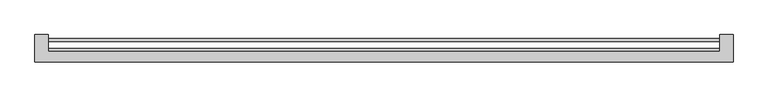
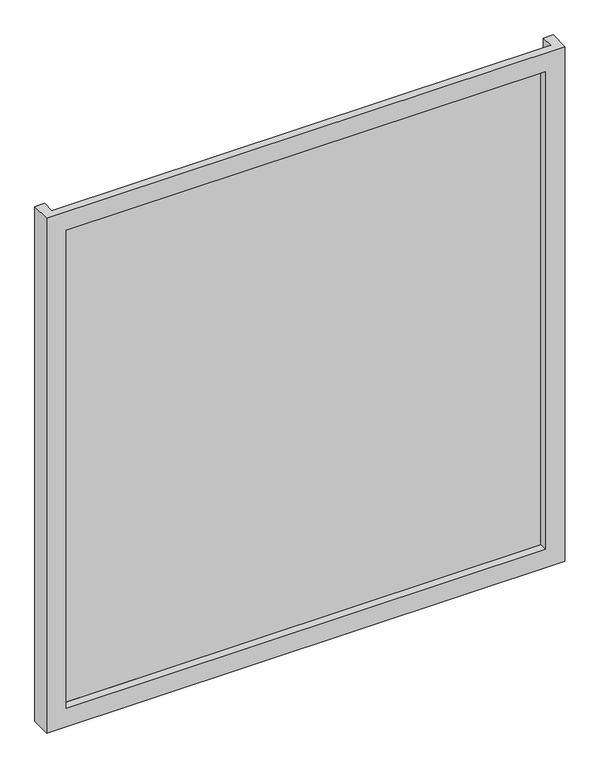
"""IFC4 building model written with IfcOpenShell, lengths in millimetres: plate geometry."""

from ifc_helpers import new_model, si_unit, origin, origin_with_axes, place, context, project, spatial, polyline, outline, extrude, faceted_brep, source, transform, mapped, element, save


def plate_1de76437(model_context):
    return source(origin(), model_context, "Body", "SolidModel", [
        faceted_brep([(662.5, -51.0, -50.0), (662.5, -103.0, -50.0), (-662.5, -103.0, -50.0), (-662.5, -51.0, -50.0), (-637.5, -51.0, -50.0), (-637.5, -83.0, -50.0), (637.5, -83.0, -50.0), (637.5, -51.0, -50.0), (612.5, -103.0, 0.0), (612.5, -83.0, 0.0), (-612.5, -83.0, 0.0), (-612.5, -103.0, 0.0), (662.5, -103.0, 1340.0), (-662.5, -103.0, 1340.0), (-612.5, -103.0, 1290.0), (612.5, -103.0, 1290.0), (-637.5, -83.0, 1340.0), (637.5, -83.0, 1340.0), (612.5, -83.0, 1290.0), (-612.5, -83.0, 1290.0), (662.5, -51.0, 1340.0), (637.5, -51.0, 1340.0), (-637.5, -51.0, 1340.0), (-662.5, -51.0, 1340.0)], [[[0, 1, 2, 3, 4, 5, 6, 7]], [[8, 9, 10, 11]], [[12, 13, 2, 1], [11, 14, 15, 8]], [[16, 17, 6, 5], [9, 18, 19, 10]], [[20, 21, 17, 16, 22, 23, 13, 12]], [[20, 0, 7, 21]], [[21, 7, 6, 17]], [[8, 15, 18, 9]], [[12, 1, 0, 20]], [[22, 4, 3, 23]], [[16, 5, 4, 22]], [[10, 19, 14, 11]], [[23, 3, 2, 13]], [[18, 15, 14, 19]]]),
        extrude(outline(polyline([(637.5, -77.0), (637.5, -83.0), (-637.5, -83.0), (-637.5, -77.0), (637.5, -77.0)])), origin_with_axes(), (0.0, 0.0, 1.0), 1290.0),
        extrude(outline(polyline([(637.5, -64.4), (-637.5, -64.4), (-637.5, -58.0), (637.5, -58.0), (637.5, -64.4)])), origin_with_axes(), (0.0, 0.0, 1.0), 1290.0),
    ])


if __name__ == "__main__":
    model = new_model("IFC4")
    model_context = context("Model", 3, world=origin())
    ifc_project = project(units=[si_unit("LENGTHUNIT", "METRE", prefix="MILLI")], contexts=[model_context])
    site = spatial("IfcSite", under=ifc_project)
    building = spatial("IfcBuilding", under=site)
    placement = place(None, origin())
    plate_shape = plate_1de76437(model_context)
    element("IfcPlate", 1, at=placement, inside=building, context=model_context, shape_type="MappedRepresentation", body=[
        mapped(plate_shape, transform((0.0, 0.0, 0.0), x_axis=(1.0, 0.0, 0.0), y_axis=(0.0, 1.0, 0.0), z_axis=(0.0, 0.0, 1.0))),
    ])
    save(model, "model.ifc")
